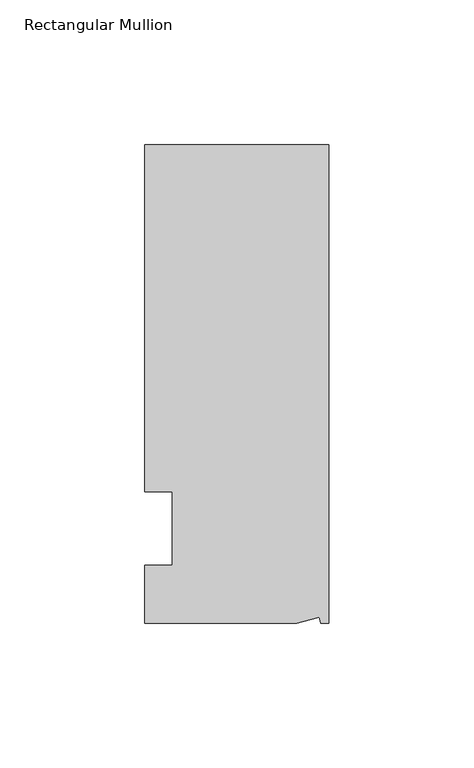
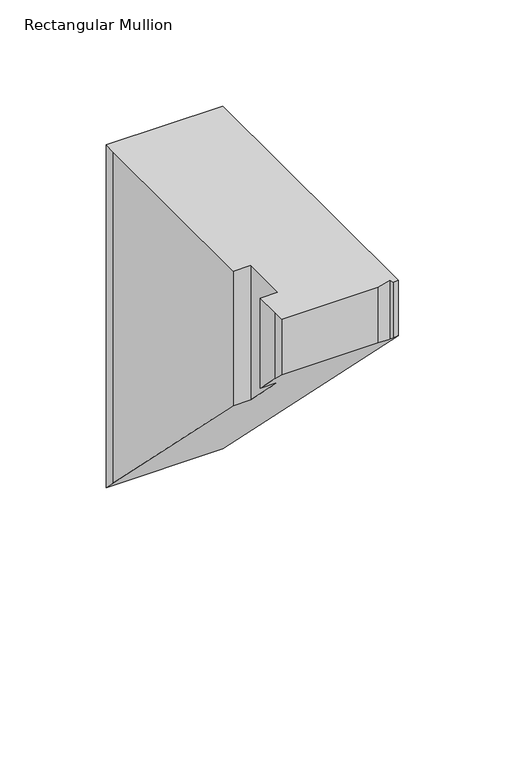
"""IFC4 building model written with IfcOpenShell, lengths in millimetres: member geometry, Rectangular Mullion."""

from ifc_helpers import new_model, si_unit, origin, place, context, project, spatial, faceted_brep, source, transform, mapped, element, save


def rectangular_mullion_4241a6fa(model_context):
    return source(origin(), model_context, "Body", "Brep", [
        faceted_brep([(0.0, 132.5561012, 0.0), (-63.5, 132.5561012, 0.0), (-63.5, 126.2061012, 0.0), (-63.5, 12.8054199, 0.0), (-53.975, 12.8054199, 0.0), (-53.975, -12.5945801, 0.0), (-63.5, -12.5945801, 0.0), (-63.5, -26.1938988, 0.0), (-63.5, -32.5438988, 0.0), (-11.121847, -32.5438988, 0.0), (-3.3341886, -30.4622958, 0.0), (-2.7616541, -32.5438988, 0.0), (0.0, -32.5438988, 0.0), (0.0, 132.5561012, -197.0022512), (-63.5, 132.5561012, -197.0022512), (-63.5, 126.2061012, -190.6522512), (-63.5, 12.8054199, -77.2515699), (-53.975, 12.8054199, -77.2515699), (-53.975, -12.5945801, -51.8515699), (-63.5, -12.5945801, -51.8515699), (-63.5, -26.1938988, -38.2522512), (-63.5, -32.5438988, -31.9022512), (-11.121847, -32.5438988, -31.9022512), (-3.3341886, -30.4622958, -33.9838542), (-2.7616541, -32.5438988, -31.9022512), (0.0, -32.5438988, -31.9022512)], [[[0, 1, 2, 3, 4, 5, 6, 7, 8, 9, 10, 11, 12]], [[1, 0, 13, 14]], [[2, 1, 14, 15]], [[3, 2, 15, 16]], [[4, 3, 16, 17]], [[5, 4, 17, 18]], [[6, 5, 18, 19]], [[7, 6, 19, 20]], [[8, 7, 20, 21]], [[9, 8, 21, 22]], [[10, 9, 22, 23]], [[11, 10, 23, 24]], [[12, 11, 24, 25]], [[0, 12, 25, 13]], [[13, 25, 24, 23, 22, 21, 20, 19, 18, 17, 16, 15, 14]]]),
    ])


if __name__ == "__main__":
    model = new_model("IFC4")
    model_context = context("Model", 3, world=origin())
    ifc_project = project(units=[si_unit("LENGTHUNIT", "METRE", prefix="MILLI")], contexts=[model_context])
    site = spatial("IfcSite", under=ifc_project)
    building = spatial("IfcBuilding", under=site)
    placement = place(None, origin())
    rectangular_mullion_shape = rectangular_mullion_4241a6fa(model_context)
    element("IfcMember", 1, ObjectType="Rectangular Mullion", at=placement, inside=building, context=model_context, shape_type="MappedRepresentation", body=[
        mapped(rectangular_mullion_shape, transform((0.0, 0.0, 0.0), x_axis=(1.0, 0.0, 0.0), y_axis=(0.0, 1.0, 0.0), z_axis=(0.0, 0.0, 1.0))),
    ])
    save(model, "model.ifc")
